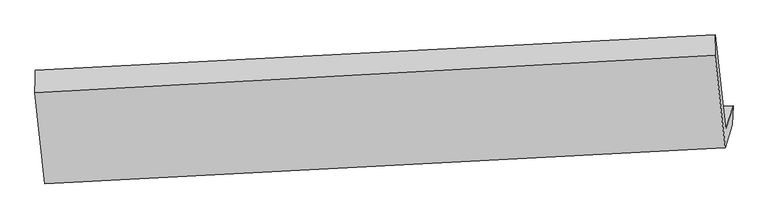
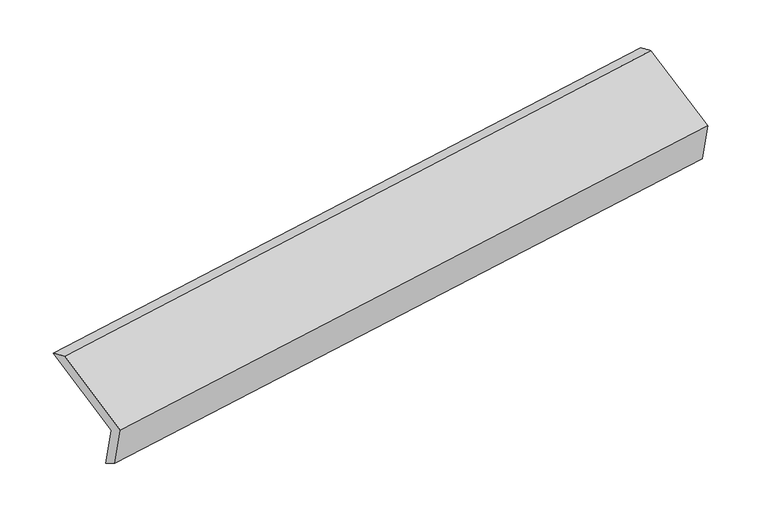
"""IFC4 building model written with IfcOpenShell, lengths in millimetres: proxy geometry."""

from ifc_helpers import new_model, si_unit, frame, origin, place, context, project, spatial, source, transform, mapped, element, save
from ifc_brep_helpers import plane_surface, spline_surface, advanced_brep


def generic_models_467faa34(model_context):
    return source(origin(), model_context, "Body", "AdvancedBrep", [
        advanced_brep(
        [(-5028.7321911, -1663.8517895, 1232.0408803), (-5075.0657746, -1814.6895439, 1596.7822), (-628.9318937, -1582.4253212, 2268.5285046), (-581.4324228, -1427.7920512, 1894.6092348), (-5034.0833837, -1788.9779895, 1311.2440163), (-586.7836154, -1552.9182512, 1973.8123708), (-5079.7962845, -1937.7951279, 1671.099277), (-632.4965162, -1701.7353895, 2333.6676315), (-5145.4819098, -1341.5822342, 1909.3173206), (-699.199903, -1096.2845153, 2575.5767286), (-5143.1805741, -1196.4276098, 1843.8099814), (-697.0466932, -964.1633871, 2515.556286)],
        [
            (0, 1),
            (1, 2),
            (2, 3),
            (3, 0),
            (4, 0),
            (3, 5),
            (5, 4),
            (6, 4),
            (5, 7),
            (7, 6),
            (8, 6),
            (7, 9),
            (9, 8),
            (10, 8),
            (9, 11),
            (11, 10),
            (1, 10),
            (11, 2),
        ],
        [
            plane_surface(frame((-5051.8989829, -1739.2706667, 1414.4115401), z_axis=(-0.10397009156987017, 0.9236839001081235, 0.36877943643863764), x_axis=(-0.11658874204066137, -0.37955156291341147, 0.9177950077873397))),
            plane_surface(frame((-5031.4077874, -1726.4148895, 1271.6424483), z_axis=(0.1522786143167918, -0.5332463661251794, -0.832141536420367), x_axis=(0.03611194248739887, 0.8444005805909423, -0.5344937671362188))),
            plane_surface(frame((-5056.9398341, -1863.3865587, 1491.1716466), z_axis=(0.10397009156986972, -0.9236839001081237, -0.36877943643863725), x_axis=(0.11658874204066112, 0.37955156291341097, -0.9177950077873399))),
            plane_surface(frame((-5112.6390972, -1639.688681, 1790.2082988), z_axis=(-0.11658874204066078, -0.3795515629134136, 0.9177950077873389), x_axis=(0.10177615058309196, -0.9237980613436023, -0.3691053467917931))),
            spline_surface(1, 1, [[(-5143.1805741, -1196.4276098, 1843.8099814), (-697.0466932, -964.1633871, 2515.556286)], [(-5145.4819098, -1341.5822342, 1909.3173206), (-699.199903, -1096.2845153, 2575.5767286)]], [2, 2], [2, 2], [0.0, 1.0], [0.0, 1.0]),
            plane_surface(frame((-5109.1231744, -1505.5585769, 1720.2960907), z_axis=(0.11878264649495052, 0.3796625096798565, -0.9174677441933577), x_axis=(-0.10177615058308803, 0.9237980613436039, 0.36910534679179025))),
            plane_surface(frame((-637.6485074, -1387.5531526, 2260.2917927), z_axis=(0.9879517601593026, 0.050376114854037236, 0.1463337508927753), x_axis=(0.10177615058309196, -0.9237980613436023, -0.3691053467917931))),
            plane_surface(frame((-5084.3900196, -1623.8873825, 1594.0489459), z_axis=(-0.9879517601593014, -0.05037611485404736, -0.1463337508927804), x_axis=(0.11658874204066205, 0.37955156291341136, -0.9177950077873397))),
        ],
        [
            (0, [[1, 2, 3, 4]]),
            (1, [[5, -4, 6, 7]]),
            (2, [[8, -7, 9, 10]]),
            (3, [[11, -10, 12, 13]]),
            (4, [[14, -13, 15, 16]]),
            (5, [[17, -16, 18, -2]]),
            (6, [[-12, -9, -6, -3, -18, -15]]),
            (7, [[-1, -5, -8, -11, -14, -17]]),
        ],
    ),
    ])


if __name__ == "__main__":
    model = new_model("IFC4")
    model_context = context("Model", 3, world=origin())
    ifc_project = project(units=[si_unit("LENGTHUNIT", "METRE", prefix="MILLI")], contexts=[model_context])
    site = spatial("IfcSite", under=ifc_project)
    building = spatial("IfcBuilding", under=site)
    placement = place(None, origin())
    generic_models_shape = generic_models_467faa34(model_context)
    element("IfcBuildingElementProxy", 1, Name="Generic Models", at=placement, inside=building, context=model_context, shape_type="MappedRepresentation", body=[
        mapped(generic_models_shape, transform((0.0, 0.0, 0.0), x_axis=(1.0, 0.0, 0.0), y_axis=(0.0, 1.0, 0.0), z_axis=(0.0, 0.0, 1.0))),
    ])
    save(model, "model.ifc")
